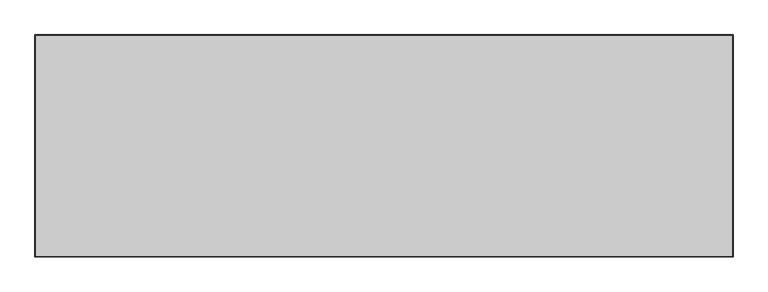
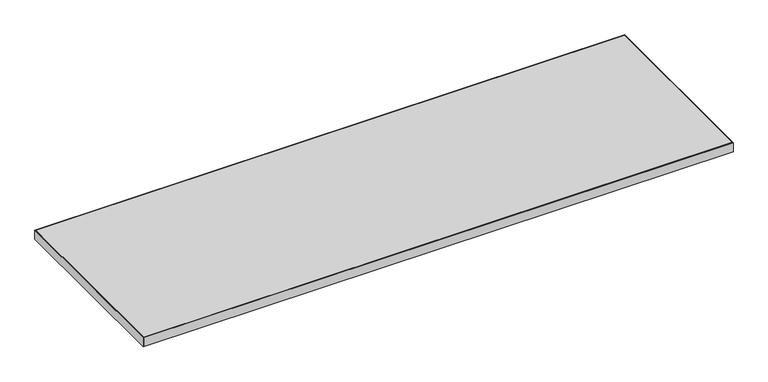
"""IFC4 building model written with IfcOpenShell, lengths in millimetres: furniture geometry."""

from ifc_helpers import new_model, si_unit, frame, origin, place, context, project, spatial, polyline, outline, extrude, source, transform, mapped, element, save


def furniture_ca9bd985(model_context):
    return source(origin(), model_context, "Body", "SweptSolid", [
        extrude(outline(polyline([(1063.6758, 831.9008), (1063.6758, 253.9492), (-758.8758, 253.9492), (-758.8758, 831.9008), (1063.6758, 831.9008)])), frame((0.0, 0.0, 707.009), z_axis=(0.0, 0.0, 1.0), x_axis=(1.0, 0.0, 0.0)), (0.0, 0.0, 1.0), 29.591),
        extrude(outline(polyline([(1065.2633, 252.3617), (-760.4633, 252.3617), (-760.4633, 833.4883), (1065.2633, 833.4883), (1065.2633, 252.3617)]), holes=[polyline([(1063.6758, 831.9008), (-758.8758, 831.9008), (-758.8758, 253.9492), (1063.6758, 253.9492), (1063.6758, 831.9008)])]), frame((0.0, 0.0, 707.009), z_axis=(0.0, 0.0, 1.0), x_axis=(1.0, 0.0, 0.0)), (0.0, 0.0, 1.0), 29.591),
    ])


if __name__ == "__main__":
    model = new_model("IFC4")
    model_context = context("Model", 3, world=origin())
    ifc_project = project(units=[si_unit("LENGTHUNIT", "METRE", prefix="MILLI")], contexts=[model_context])
    site = spatial("IfcSite", under=ifc_project)
    building = spatial("IfcBuilding", under=site)
    placement = place(None, origin())
    furniture_shape = furniture_ca9bd985(model_context)
    element("IfcFurniture", 1, at=placement, inside=building, context=model_context, shape_type="MappedRepresentation", body=[
        mapped(furniture_shape, transform((0.0, 0.0, 0.0), x_axis=(1.0, 0.0, 0.0), y_axis=(0.0, 1.0, 0.0), z_axis=(0.0, 0.0, 1.0))),
    ])
    save(model, "model.ifc")
